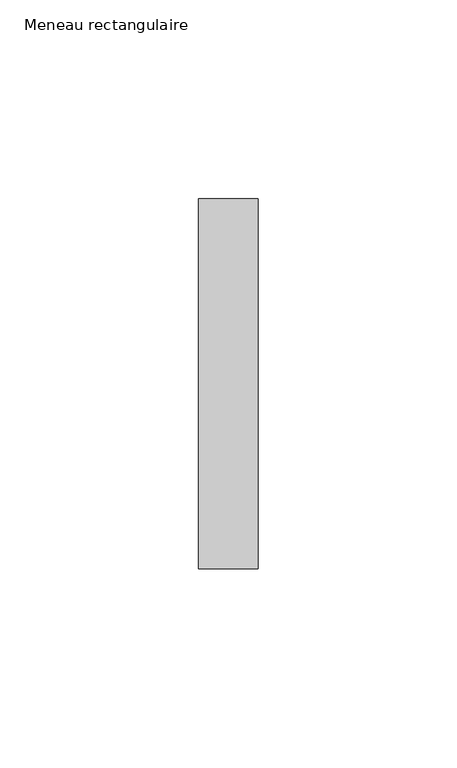
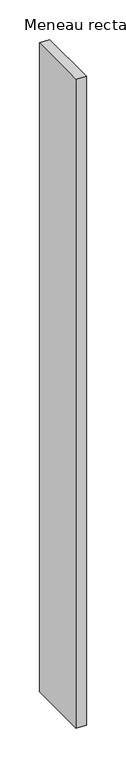
"""IFC4 building model written with IfcOpenShell, lengths in millimetres: member geometry, Meneau rectangulaire."""

from ifc_helpers import new_model, si_unit, frame, origin, place, context, project, spatial, polyline, outline, extrude, source, transform, mapped, element, save


def meneau_rectangulaire_00116186(model_context):
    return source(origin(), model_context, "Body", "SweptSolid", [
        extrude(outline(polyline([(0.0, 46.5), (0.0, -46.5), (-15.0, -46.5), (-15.0, 46.5), (0.0, 46.5)])), frame((0.0, 0.0, -1002.5497353), z_axis=(0.0, 0.0, 1.0), x_axis=(1.0, 0.0, 0.0)), (0.0, 0.0, 1.0), 1002.5497353),
    ])


if __name__ == "__main__":
    model = new_model("IFC4")
    model_context = context("Model", 3, world=origin())
    ifc_project = project(units=[si_unit("LENGTHUNIT", "METRE", prefix="MILLI")], contexts=[model_context])
    site = spatial("IfcSite", under=ifc_project)
    building = spatial("IfcBuilding", under=site)
    placement = place(None, origin())
    meneau_rectangulaire_shape = meneau_rectangulaire_00116186(model_context)
    element("IfcMember", 1, ObjectType="Meneau rectangulaire", at=placement, inside=building, context=model_context, shape_type="MappedRepresentation", body=[
        mapped(meneau_rectangulaire_shape, transform((0.0, 0.0, 0.0), x_axis=(1.0, 0.0, 0.0), y_axis=(0.0, 1.0, 0.0), z_axis=(0.0, 0.0, 1.0))),
    ])
    save(model, "model.ifc")
